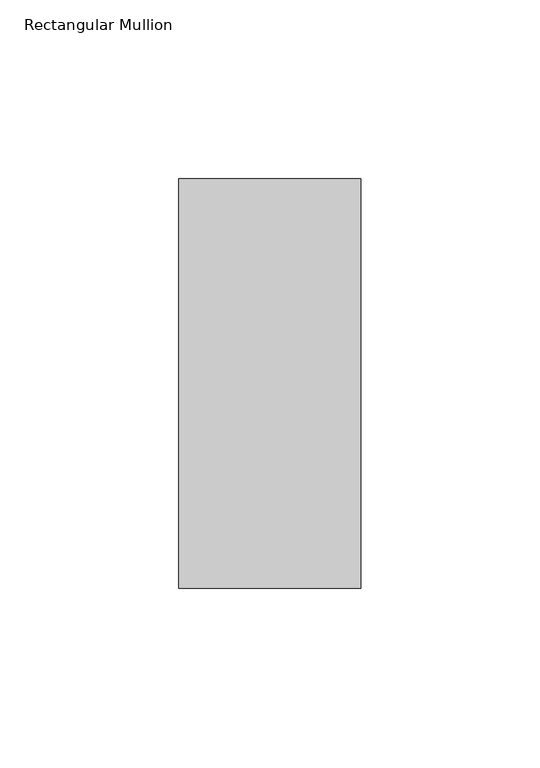
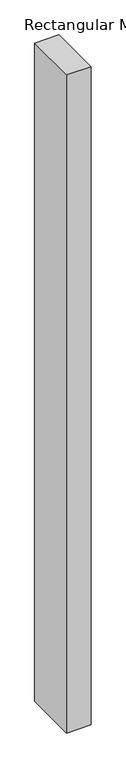
"""IFC4 building model written with IfcOpenShell, lengths in millimetres: member geometry, Rectangular Mullion."""

from ifc_helpers import new_model, si_unit, frame, origin, place, context, project, spatial, polyline, outline, extrude, source, transform, mapped, element, save


def rectangular_mullion_f5af0a38(model_context):
    return source(origin(), model_context, "Body", "SweptSolid", [
        extrude(outline(polyline([(25.4, 57.15), (25.4, -57.15), (-25.4, -57.15), (-25.4, 57.15), (25.4, 57.15)])), frame((0.0, 0.0, -1443.0375), z_axis=(0.0, 0.0, 1.0), x_axis=(1.0, 0.0, 0.0)), (0.0, 0.0, 1.0), 1443.0375),
    ])


if __name__ == "__main__":
    model = new_model("IFC4")
    model_context = context("Model", 3, world=origin())
    ifc_project = project(units=[si_unit("LENGTHUNIT", "METRE", prefix="MILLI")], contexts=[model_context])
    site = spatial("IfcSite", under=ifc_project)
    building = spatial("IfcBuilding", under=site)
    placement = place(None, origin())
    rectangular_mullion_shape = rectangular_mullion_f5af0a38(model_context)
    element("IfcMember", 1, ObjectType="Rectangular Mullion", at=placement, inside=building, context=model_context, shape_type="MappedRepresentation", body=[
        mapped(rectangular_mullion_shape, transform((0.0, 0.0, 0.0), x_axis=(1.0, 0.0, 0.0), y_axis=(0.0, 1.0, 0.0), z_axis=(0.0, 0.0, 1.0))),
    ])
    save(model, "model.ifc")
